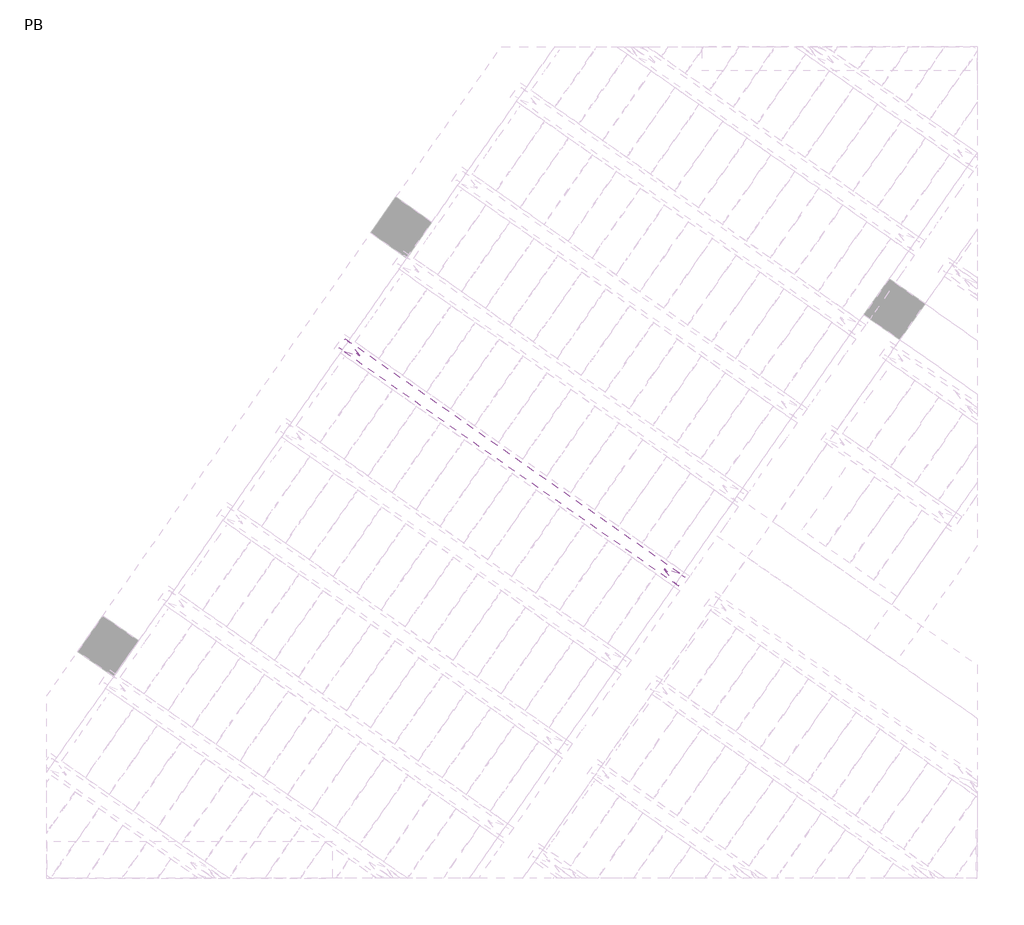
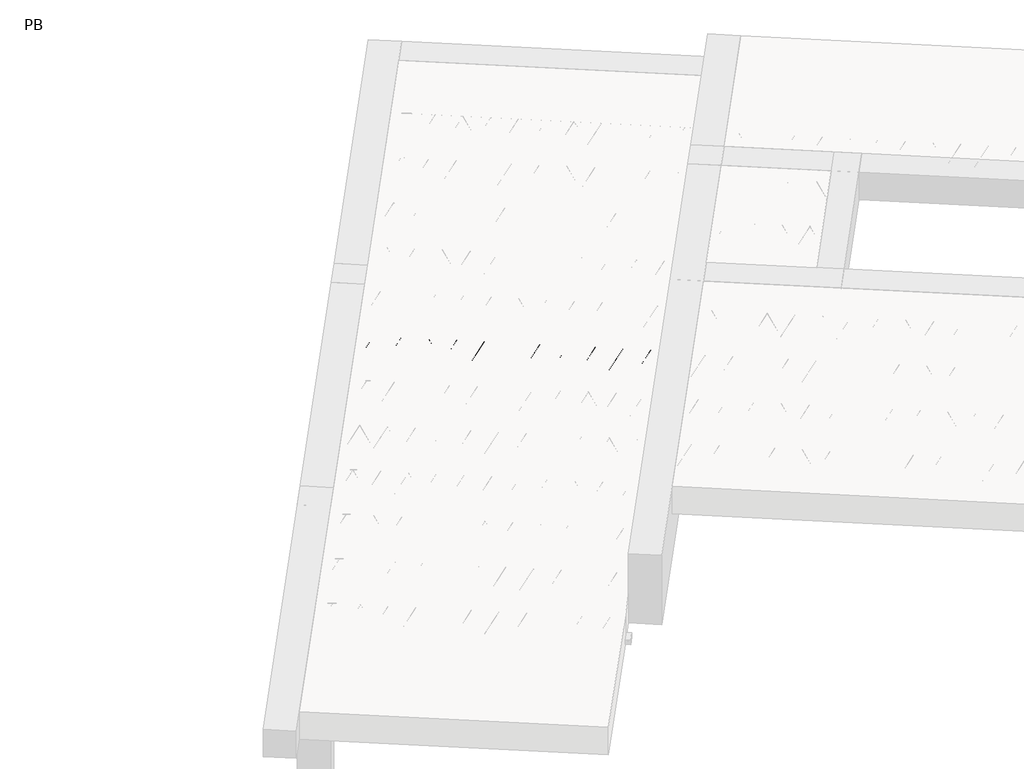
# One storey, part 33 of 56: 1 beam.
"""IFC4 building model written with IfcOpenShell, lengths in millimetres."""

from ifc_helpers import new_model, si_unit, point, frame, origin, origin_2d, place, context, project, spatial, circle_curve, trimmed, segment, composite_curve, outline, extrude, element, save

model = new_model("IFC4")

# Units and contexts
model_context = context("Model", 3, world=origin())
ifc_project = project(units=[si_unit("LENGTHUNIT", "METRE", prefix="MILLI")], contexts=[model_context])

# Site, building, storey
site = spatial("IfcSite", under=ifc_project)
building = spatial("IfcBuilding", under=site)
storey = spatial("IfcBuildingStorey", under=building, Name="PB", Elevation=95940.0)

# Beam
placement = place(None, origin())
element("IfcBeam", 1, at=placement, inside=storey, context=model_context, shape_type="SweptSolid", body=[
    extrude(outline(composite_curve([segment(trimmed(circle_curve(origin_2d(), 2.5), [point((-2.5, 0.0))], [point((2.5, 0.0))], False, "CARTESIAN"), True, "CONTINUOUS"), segment(trimmed(circle_curve(origin_2d(), 2.5), [point((2.5, 0.0))], [point((-2.5, 0.0))], False, "CARTESIAN"), True, "CONTINUOUS")], self_intersect=False)), frame((4354.5296231, 5635.8604621, 98785.0), z_axis=(-0.8191520442696126, 0.5735764363787226, 0.0), x_axis=(0.5735764363787226, 0.8191520442696126, 0.0)), (0.0, 0.0, 1.0), 2836.497256),
    extrude(outline(composite_curve([segment(trimmed(circle_curve(origin_2d(), 2.5), [point((-2.5, 0.0))], [point((2.5, 0.0))], False, "CARTESIAN"), True, "CONTINUOUS"), segment(trimmed(circle_curve(origin_2d(), 2.5), [point((2.5, 0.0))], [point((-2.5, 0.0))], False, "CARTESIAN"), True, "CONTINUOUS")], self_intersect=False)), frame((4278.3147694, 5733.1745624, 99010.0), z_axis=(-0.8191520442696126, 0.5735764363787226, 0.0), x_axis=(0.5735764363787226, 0.8191520442696126, 0.0)), (0.0, 0.0, 1.0), 2600.0),
    extrude(outline(composite_curve([segment(trimmed(circle_curve(origin_2d(), 2.5), [point((-2.5, 0.0))], [point((2.5000001, -1e-07))], False, "CARTESIAN"), True, "CONTINUOUS"), segment(trimmed(circle_curve(origin_2d(), 2.5), [point((2.5000001, -1e-07))], [point((-2.5, 0.0))], False, "CARTESIAN"), True, "CONTINUOUS")], self_intersect=False)), frame((4319.102421, 5660.6668561, 98785.0), z_axis=(-0.3145304735701046, 0.38933448886848654, 0.8657304643902053), x_axis=(0.7778747638402499, 0.6284193279813057, 0.0)), (0.0, 0.0, 1.0), 259.8961331),
    extrude(outline(composite_curve([segment(trimmed(circle_curve(origin_2d(), 2.5), [point((2.5, 0.0))], [point((-2.5, 1e-07))], False, "CARTESIAN"), True, "CONTINUOUS"), segment(trimmed(circle_curve(origin_2d(), 2.5), [point((-2.5, 1e-07))], [point((2.5, 0.0))], False, "CARTESIAN"), True, "CONTINUOUS")], self_intersect=False)), frame((4114.3144099, 5804.0609652, 98785.0), z_axis=(0.47343050384693375, -0.16240172737369005, 0.8657304643902051), x_axis=(-0.3244721671091268, -0.9458952440791246, 0.0)), (0.0, 0.0, 1.0), 259.8961331),
    extrude(outline(composite_curve([segment(trimmed(circle_curve(origin_2d(), 2.5), [point((-2.5, 0.0))], [point((2.5000001, -1e-07))], False, "CARTESIAN"), True, "CONTINUOUS"), segment(trimmed(circle_curve(origin_2d(), 2.5), [point((2.5000001, -1e-07))], [point((-2.5, 0.0))], False, "CARTESIAN"), True, "CONTINUOUS")], self_intersect=False)), frame((4114.3144099, 5804.0609652, 98785.0), z_axis=(-0.3145304735701046, 0.38933448886848654, 0.8657304643902053), x_axis=(0.7778747638402499, 0.6284193279813057, 0.0)), (0.0, 0.0, 1.0), 259.8961331),
    extrude(outline(composite_curve([segment(trimmed(circle_curve(origin_2d(), 2.5), [point((2.5, 0.0))], [point((-2.5, 0.0))], False, "CARTESIAN"), True, "CONTINUOUS"), segment(trimmed(circle_curve(origin_2d(), 2.5), [point((-2.5, 0.0))], [point((2.5, 0.0))], False, "CARTESIAN"), True, "CONTINUOUS")], self_intersect=False)), frame((3909.5263989, 5947.4550743, 98785.0), z_axis=(0.47343050384693375, -0.16240172737369005, 0.8657304643902051), x_axis=(-0.3244721671091268, -0.9458952440791246, 0.0)), (0.0, 0.0, 1.0), 259.8961331),
    extrude(outline(composite_curve([segment(trimmed(circle_curve(origin_2d(), 2.5), [point((-2.5, 0.0))], [point((2.5, 0.0))], False, "CARTESIAN"), True, "CONTINUOUS"), segment(trimmed(circle_curve(origin_2d(), 2.5), [point((2.5, 0.0))], [point((-2.5, 0.0))], False, "CARTESIAN"), True, "CONTINUOUS")], self_intersect=False)), frame((3909.5263989, 5947.4550743, 98785.0), z_axis=(-0.3145304735701046, 0.38933448886848654, 0.8657304643902053), x_axis=(0.7778747638402499, 0.6284193279813057, 0.0)), (0.0, 0.0, 1.0), 259.8961331),
    extrude(outline(composite_curve([segment(trimmed(circle_curve(origin_2d(), 2.5), [point((2.5, 0.0))], [point((-2.5, 0.0))], False, "CARTESIAN"), True, "CONTINUOUS"), segment(trimmed(circle_curve(origin_2d(), 2.5), [point((-2.5, 0.0))], [point((2.5, 0.0))], False, "CARTESIAN"), True, "CONTINUOUS")], self_intersect=False)), frame((3704.7383878, 6090.8491834, 98785.0), z_axis=(0.47343050384693375, -0.16240172737369005, 0.8657304643902051), x_axis=(-0.3244721671091268, -0.9458952440791246, 0.0)), (0.0, 0.0, 1.0), 259.8961331),
    extrude(outline(composite_curve([segment(trimmed(circle_curve(origin_2d(), 2.5), [point((-2.5, 0.0))], [point((2.5, 0.0))], False, "CARTESIAN"), True, "CONTINUOUS"), segment(trimmed(circle_curve(origin_2d(), 2.5), [point((2.5, 0.0))], [point((-2.5, 0.0))], False, "CARTESIAN"), True, "CONTINUOUS")], self_intersect=False)), frame((3704.7383878, 6090.8491834, 98785.0), z_axis=(-0.3145304735701046, 0.38933448886848654, 0.8657304643902053), x_axis=(0.7778747638402499, 0.6284193279813057, 0.0)), (0.0, 0.0, 1.0), 259.8961331),
    extrude(outline(composite_curve([segment(trimmed(circle_curve(origin_2d(), 2.5), [point((2.5, 0.0))], [point((-2.5, 1e-07))], False, "CARTESIAN"), True, "CONTINUOUS"), segment(trimmed(circle_curve(origin_2d(), 2.5), [point((-2.5, 1e-07))], [point((2.5, 0.0))], False, "CARTESIAN"), True, "CONTINUOUS")], self_intersect=False)), frame((3499.9503767, 6234.2432925, 98785.0), z_axis=(0.47343050384693375, -0.16240172737369005, 0.8657304643902051), x_axis=(-0.3244721671091268, -0.9458952440791246, 0.0)), (0.0, 0.0, 1.0), 259.8961331),
    extrude(outline(composite_curve([segment(trimmed(circle_curve(origin_2d(), 2.5), [point((-2.5, 0.0))], [point((2.5, 0.0))], False, "CARTESIAN"), True, "CONTINUOUS"), segment(trimmed(circle_curve(origin_2d(), 2.5), [point((2.5, 0.0))], [point((-2.5, 0.0))], False, "CARTESIAN"), True, "CONTINUOUS")], self_intersect=False)), frame((3499.9503768, 6234.2432924, 98785.0), z_axis=(-0.3145304735701046, 0.38933448886848654, 0.8657304643902053), x_axis=(0.7778747638402499, 0.6284193279813057, 0.0)), (0.0, 0.0, 1.0), 259.8961331),
    extrude(outline(composite_curve([segment(trimmed(circle_curve(origin_2d(), 2.5), [point((2.5, -1e-07))], [point((-2.5, 0.0))], False, "CARTESIAN"), True, "CONTINUOUS"), segment(trimmed(circle_curve(origin_2d(), 2.5), [point((-2.5, 0.0))], [point((2.5, -1e-07))], False, "CARTESIAN"), True, "CONTINUOUS")], self_intersect=False)), frame((3295.1623658, 6377.6374015, 98785.0), z_axis=(0.47343050384693375, -0.16240172737369005, 0.8657304643902051), x_axis=(-0.3244721671091268, -0.9458952440791246, 0.0)), (0.0, 0.0, 1.0), 259.8961331),
    extrude(outline(composite_curve([segment(trimmed(circle_curve(origin_2d(), 2.5), [point((-2.5, 0.0))], [point((2.5, 0.0))], False, "CARTESIAN"), True, "CONTINUOUS"), segment(trimmed(circle_curve(origin_2d(), 2.5), [point((2.5, 0.0))], [point((-2.5, 0.0))], False, "CARTESIAN"), True, "CONTINUOUS")], self_intersect=False)), frame((3295.1623658, 6377.6374015, 98785.0), z_axis=(-0.3145304735701046, 0.38933448886848654, 0.8657304643902053), x_axis=(0.7778747638402499, 0.6284193279813057, 0.0)), (0.0, 0.0, 1.0), 259.8961331),
    extrude(outline(composite_curve([segment(trimmed(circle_curve(origin_2d(), 2.5), [point((2.5, 0.0))], [point((-2.5, 0.0))], False, "CARTESIAN"), True, "CONTINUOUS"), segment(trimmed(circle_curve(origin_2d(), 2.5), [point((-2.5, 0.0))], [point((2.5, 0.0))], False, "CARTESIAN"), True, "CONTINUOUS")], self_intersect=False)), frame((3090.3743547, 6521.0315106, 98785.0), z_axis=(0.47343050384693375, -0.16240172737369005, 0.8657304643902051), x_axis=(-0.3244721671091268, -0.9458952440791246, 0.0)), (0.0, 0.0, 1.0), 259.8961331),
    extrude(outline(composite_curve([segment(trimmed(circle_curve(origin_2d(), 2.5), [point((-2.5, 0.0))], [point((2.5, 0.0))], False, "CARTESIAN"), True, "CONTINUOUS"), segment(trimmed(circle_curve(origin_2d(), 2.5), [point((2.5, 0.0))], [point((-2.5, 0.0))], False, "CARTESIAN"), True, "CONTINUOUS")], self_intersect=False)), frame((3090.3743547, 6521.0315106, 98785.0), z_axis=(-0.3145304735701046, 0.38933448886848654, 0.8657304643902053), x_axis=(0.7778747638402499, 0.6284193279813057, 0.0)), (0.0, 0.0, 1.0), 259.8961331),
    extrude(outline(composite_curve([segment(trimmed(circle_curve(origin_2d(), 2.5), [point((2.5, 0.0))], [point((-2.5, 0.0))], False, "CARTESIAN"), True, "CONTINUOUS"), segment(trimmed(circle_curve(origin_2d(), 2.5), [point((-2.5, 0.0))], [point((2.5, 0.0))], False, "CARTESIAN"), True, "CONTINUOUS")], self_intersect=False)), frame((2885.5863436, 6664.4256197, 98785.0), z_axis=(0.47343050384693375, -0.16240172737369005, 0.8657304643902051), x_axis=(-0.3244721671091268, -0.9458952440791246, 0.0)), (0.0, 0.0, 1.0), 259.8961331),
    extrude(outline(composite_curve([segment(trimmed(circle_curve(origin_2d(), 2.5), [point((-2.5, 0.0))], [point((2.5, 0.0))], False, "CARTESIAN"), True, "CONTINUOUS"), segment(trimmed(circle_curve(origin_2d(), 2.5), [point((2.5, 0.0))], [point((-2.5, 0.0))], False, "CARTESIAN"), True, "CONTINUOUS")], self_intersect=False)), frame((2885.5863436, 6664.4256197, 98785.0), z_axis=(-0.3145304735701046, 0.38933448886848654, 0.8657304643902053), x_axis=(0.7778747638402499, 0.6284193279813057, 0.0)), (0.0, 0.0, 1.0), 259.8961331),
    extrude(outline(composite_curve([segment(trimmed(circle_curve(origin_2d(), 2.5), [point((2.5, -1e-07))], [point((-2.5, 0.0))], False, "CARTESIAN"), True, "CONTINUOUS"), segment(trimmed(circle_curve(origin_2d(), 2.5), [point((-2.5, 0.0))], [point((2.5, -1e-07))], False, "CARTESIAN"), True, "CONTINUOUS")], self_intersect=False)), frame((2680.7983326, 6807.8197288, 98785.0), z_axis=(0.47343050384693375, -0.16240172737369005, 0.8657304643902051), x_axis=(-0.3244721671091268, -0.9458952440791246, 0.0)), (0.0, 0.0, 1.0), 259.8961331),
    extrude(outline(composite_curve([segment(trimmed(circle_curve(origin_2d(), 2.5), [point((-2.5000001, 1e-07))], [point((2.5, 0.0))], False, "CARTESIAN"), True, "CONTINUOUS"), segment(trimmed(circle_curve(origin_2d(), 2.5), [point((2.5, 0.0))], [point((-2.5000001, 1e-07))], False, "CARTESIAN"), True, "CONTINUOUS")], self_intersect=False)), frame((2680.7983326, 6807.8197288, 98785.0), z_axis=(-0.3145304735701046, 0.38933448886848654, 0.8657304643902053), x_axis=(0.7778747638402499, 0.6284193279813057, 0.0)), (0.0, 0.0, 1.0), 259.8961331),
    extrude(outline(composite_curve([segment(trimmed(circle_curve(origin_2d(), 2.5), [point((2.5, 0.0))], [point((-2.5, 0.0))], False, "CARTESIAN"), True, "CONTINUOUS"), segment(trimmed(circle_curve(origin_2d(), 2.5), [point((-2.5, 0.0))], [point((2.5, 0.0))], False, "CARTESIAN"), True, "CONTINUOUS")], self_intersect=False)), frame((2476.0103215, 6951.2138379, 98785.0), z_axis=(0.47343050384693375, -0.16240172737369005, 0.8657304643902051), x_axis=(-0.3244721671091268, -0.9458952440791246, 0.0)), (0.0, 0.0, 1.0), 259.8961331),
    extrude(outline(composite_curve([segment(trimmed(circle_curve(origin_2d(), 2.5), [point((-2.5, 0.0))], [point((2.5, 0.0))], False, "CARTESIAN"), True, "CONTINUOUS"), segment(trimmed(circle_curve(origin_2d(), 2.5), [point((2.5, 0.0))], [point((-2.5, 0.0))], False, "CARTESIAN"), True, "CONTINUOUS")], self_intersect=False)), frame((2476.0103215, 6951.2138379, 98785.0), z_axis=(-0.3145304735701046, 0.38933448886848654, 0.8657304643902053), x_axis=(0.7778747638402499, 0.6284193279813057, 0.0)), (0.0, 0.0, 1.0), 259.8961331),
    extrude(outline(composite_curve([segment(trimmed(circle_curve(origin_2d(), 2.5), [point((2.5, 0.0))], [point((-2.5, 0.0))], False, "CARTESIAN"), True, "CONTINUOUS"), segment(trimmed(circle_curve(origin_2d(), 2.5), [point((-2.5, 0.0))], [point((2.5, 0.0))], False, "CARTESIAN"), True, "CONTINUOUS")], self_intersect=False)), frame((2271.2223104, 7094.607947, 98785.0), z_axis=(0.47343050384693375, -0.16240172737369005, 0.8657304643902051), x_axis=(-0.3244721671091268, -0.9458952440791246, 0.0)), (0.0, 0.0, 1.0), 259.8961331),
    extrude(outline(composite_curve([segment(trimmed(circle_curve(origin_2d(), 2.5), [point((-2.5, 0.0))], [point((2.5, 0.0))], False, "CARTESIAN"), True, "CONTINUOUS"), segment(trimmed(circle_curve(origin_2d(), 2.5), [point((2.5, 0.0))], [point((-2.5, 0.0))], False, "CARTESIAN"), True, "CONTINUOUS")], self_intersect=False)), frame((2271.2223104, 7094.607947, 98785.0), z_axis=(-0.3145304735701046, 0.38933448886848654, 0.8657304643902053), x_axis=(0.7778747638402499, 0.6284193279813057, 0.0)), (0.0, 0.0, 1.0), 259.8961331),
    extrude(outline(composite_curve([segment(trimmed(circle_curve(origin_2d(), 2.5), [point((2.5, -1e-07))], [point((-2.5, 0.0))], False, "CARTESIAN"), True, "CONTINUOUS"), segment(trimmed(circle_curve(origin_2d(), 2.5), [point((-2.5, 0.0))], [point((2.5, -1e-07))], False, "CARTESIAN"), True, "CONTINUOUS")], self_intersect=False)), frame((2066.4342994, 7238.0020561, 98785.0), z_axis=(0.47343050384693375, -0.16240172737369005, 0.8657304643902051), x_axis=(-0.3244721671091268, -0.9458952440791246, 0.0)), (0.0, 0.0, 1.0), 259.8961331),
    extrude(outline(composite_curve([segment(trimmed(circle_curve(origin_2d(), 2.5), [point((-2.5, 0.0))], [point((2.4999999, 0.0))], False, "CARTESIAN"), True, "CONTINUOUS"), segment(trimmed(circle_curve(origin_2d(), 2.5), [point((2.4999999, 0.0))], [point((-2.5, 0.0))], False, "CARTESIAN"), True, "CONTINUOUS")], self_intersect=False)), frame((4395.8271266, 5694.8394093, 98785.0), z_axis=(-0.8191520442696126, 0.5735764363787226, 0.0), x_axis=(0.5735764363787226, 0.8191520442696126, 0.0)), (0.0, 0.0, 1.0), 2836.497256),
    extrude(outline(composite_curve([segment(trimmed(circle_curve(origin_2d(), 2.5), [point((-2.5, 1e-07))], [point((2.5, 0.0))], False, "CARTESIAN"), True, "CONTINUOUS"), segment(trimmed(circle_curve(origin_2d(), 2.5), [point((2.5, 0.0))], [point((-2.5, 1e-07))], False, "CARTESIAN"), True, "CONTINUOUS")], self_intersect=False)), frame((4360.3999245, 5719.6458033, 98785.0), z_axis=(-0.47343050384693375, 0.16240172737369005, 0.8657304643902051), x_axis=(0.3244721671091268, 0.9458952440791246, 0.0)), (0.0, 0.0, 1.0), 259.8961331),
    extrude(outline(composite_curve([segment(trimmed(circle_curve(origin_2d(), 2.5), [point((2.5, 0.0))], [point((-2.5, 0.0))], False, "CARTESIAN"), True, "CONTINUOUS"), segment(trimmed(circle_curve(origin_2d(), 2.5), [point((-2.5, 0.0))], [point((2.5, 0.0))], False, "CARTESIAN"), True, "CONTINUOUS")], self_intersect=False)), frame((4155.6119134, 5863.0399124, 98785.0), z_axis=(0.3145304735701046, -0.38933448886848654, 0.8657304643902053), x_axis=(-0.7778747638402499, -0.6284193279813057, 0.0)), (0.0, 0.0, 1.0), 259.8961331),
    extrude(outline(composite_curve([segment(trimmed(circle_curve(origin_2d(), 2.5), [point((-2.5, 1e-07))], [point((2.5, 0.0))], False, "CARTESIAN"), True, "CONTINUOUS"), segment(trimmed(circle_curve(origin_2d(), 2.5), [point((2.5, 0.0))], [point((-2.5, 1e-07))], False, "CARTESIAN"), True, "CONTINUOUS")], self_intersect=False)), frame((4155.6119134, 5863.0399124, 98785.0), z_axis=(-0.47343050384693375, 0.16240172737369005, 0.8657304643902051), x_axis=(0.3244721671091268, 0.9458952440791246, 0.0)), (0.0, 0.0, 1.0), 259.8961331),
    extrude(outline(composite_curve([segment(trimmed(circle_curve(origin_2d(), 2.5), [point((2.5, 0.0))], [point((-2.5, 0.0))], False, "CARTESIAN"), True, "CONTINUOUS"), segment(trimmed(circle_curve(origin_2d(), 2.5), [point((-2.5, 0.0))], [point((2.5, 0.0))], False, "CARTESIAN"), True, "CONTINUOUS")], self_intersect=False)), frame((3950.8239023, 6006.4340215, 98785.0), z_axis=(0.3145304735701046, -0.38933448886848654, 0.8657304643902053), x_axis=(-0.7778747638402499, -0.6284193279813057, 0.0)), (0.0, 0.0, 1.0), 259.8961331),
    extrude(outline(composite_curve([segment(trimmed(circle_curve(origin_2d(), 2.5), [point((-2.5, 0.0))], [point((2.5, 0.0))], False, "CARTESIAN"), True, "CONTINUOUS"), segment(trimmed(circle_curve(origin_2d(), 2.5), [point((2.5, 0.0))], [point((-2.5, 0.0))], False, "CARTESIAN"), True, "CONTINUOUS")], self_intersect=False)), frame((3950.8239023, 6006.4340215, 98785.0), z_axis=(-0.47343050384693375, 0.16240172737369005, 0.8657304643902051), x_axis=(0.3244721671091268, 0.9458952440791246, 0.0)), (0.0, 0.0, 1.0), 259.8961331),
    extrude(outline(composite_curve([segment(trimmed(circle_curve(origin_2d(), 2.5), [point((2.5, 1e-07))], [point((-2.5, 0.0))], False, "CARTESIAN"), True, "CONTINUOUS"), segment(trimmed(circle_curve(origin_2d(), 2.5), [point((-2.5, 0.0))], [point((2.5, 1e-07))], False, "CARTESIAN"), True, "CONTINUOUS")], self_intersect=False)), frame((3746.0358912, 6149.8281306, 98785.0), z_axis=(0.3145304735701046, -0.38933448886848654, 0.8657304643902053), x_axis=(-0.7778747638402499, -0.6284193279813057, 0.0)), (0.0, 0.0, 1.0), 259.8961331),
    extrude(outline(composite_curve([segment(trimmed(circle_curve(origin_2d(), 2.5), [point((-2.5, 0.0))], [point((2.5, 0.0))], False, "CARTESIAN"), True, "CONTINUOUS"), segment(trimmed(circle_curve(origin_2d(), 2.5), [point((2.5, 0.0))], [point((-2.5, 0.0))], False, "CARTESIAN"), True, "CONTINUOUS")], self_intersect=False)), frame((3746.0358912, 6149.8281306, 98785.0), z_axis=(-0.47343050384693375, 0.16240172737369005, 0.8657304643902051), x_axis=(0.3244721671091268, 0.9458952440791246, 0.0)), (0.0, 0.0, 1.0), 259.8961331),
    extrude(outline(composite_curve([segment(trimmed(circle_curve(origin_2d(), 2.5), [point((2.5, 1e-07))], [point((-2.5, 0.0))], False, "CARTESIAN"), True, "CONTINUOUS"), segment(trimmed(circle_curve(origin_2d(), 2.5), [point((-2.5, 0.0))], [point((2.5, 1e-07))], False, "CARTESIAN"), True, "CONTINUOUS")], self_intersect=False)), frame((3541.2478802, 6293.2222397, 98785.0), z_axis=(0.3145304735701046, -0.38933448886848654, 0.8657304643902053), x_axis=(-0.7778747638402499, -0.6284193279813057, 0.0)), (0.0, 0.0, 1.0), 259.8961331),
    extrude(outline(composite_curve([segment(trimmed(circle_curve(origin_2d(), 2.5), [point((-2.5, 0.0))], [point((2.5, -1e-07))], False, "CARTESIAN"), True, "CONTINUOUS"), segment(trimmed(circle_curve(origin_2d(), 2.5), [point((2.5, -1e-07))], [point((-2.5, 0.0))], False, "CARTESIAN"), True, "CONTINUOUS")], self_intersect=False)), frame((3541.2478802, 6293.2222396, 98785.0), z_axis=(-0.47343050384693375, 0.16240172737369005, 0.8657304643902051), x_axis=(0.3244721671091268, 0.9458952440791246, 0.0)), (0.0, 0.0, 1.0), 259.8961331),
    extrude(outline(composite_curve([segment(trimmed(circle_curve(origin_2d(), 2.5), [point((2.5, 0.0))], [point((-2.5, 0.0))], False, "CARTESIAN"), True, "CONTINUOUS"), segment(trimmed(circle_curve(origin_2d(), 2.5), [point((-2.5, 0.0))], [point((2.5, 0.0))], False, "CARTESIAN"), True, "CONTINUOUS")], self_intersect=False)), frame((3336.4598692, 6436.6163487, 98785.0), z_axis=(0.3145304735701046, -0.38933448886848654, 0.8657304643902053), x_axis=(-0.7778747638402499, -0.6284193279813057, 0.0)), (0.0, 0.0, 1.0), 259.8961331),
    extrude(outline(composite_curve([segment(trimmed(circle_curve(origin_2d(), 2.5), [point((-2.5, 0.0))], [point((2.5, 0.0))], False, "CARTESIAN"), True, "CONTINUOUS"), segment(trimmed(circle_curve(origin_2d(), 2.5), [point((2.5, 0.0))], [point((-2.5, 0.0))], False, "CARTESIAN"), True, "CONTINUOUS")], self_intersect=False)), frame((3336.4598692, 6436.6163487, 98785.0), z_axis=(-0.47343050384693375, 0.16240172737369005, 0.8657304643902051), x_axis=(0.3244721671091268, 0.9458952440791246, 0.0)), (0.0, 0.0, 1.0), 259.8961331),
    extrude(outline(composite_curve([segment(trimmed(circle_curve(origin_2d(), 2.5), [point((2.5, 0.0))], [point((-2.5, 0.0))], False, "CARTESIAN"), True, "CONTINUOUS"), segment(trimmed(circle_curve(origin_2d(), 2.5), [point((-2.5, 0.0))], [point((2.5, 0.0))], False, "CARTESIAN"), True, "CONTINUOUS")], self_intersect=False)), frame((3131.6718581, 6580.0104578, 98785.0), z_axis=(0.3145304735701046, -0.38933448886848654, 0.8657304643902053), x_axis=(-0.7778747638402499, -0.6284193279813057, 0.0)), (0.0, 0.0, 1.0), 259.8961331),
    extrude(outline(composite_curve([segment(trimmed(circle_curve(origin_2d(), 2.5), [point((-2.5, 0.0))], [point((2.5, 0.0))], False, "CARTESIAN"), True, "CONTINUOUS"), segment(trimmed(circle_curve(origin_2d(), 2.5), [point((2.5, 0.0))], [point((-2.5, 0.0))], False, "CARTESIAN"), True, "CONTINUOUS")], self_intersect=False)), frame((3131.6718581, 6580.0104578, 98785.0), z_axis=(-0.47343050384693375, 0.16240172737369005, 0.8657304643902051), x_axis=(0.3244721671091268, 0.9458952440791246, 0.0)), (0.0, 0.0, 1.0), 259.8961331),
    extrude(outline(composite_curve([segment(trimmed(circle_curve(origin_2d(), 2.5), [point((2.5, 0.0))], [point((-2.5000001, 1e-07))], False, "CARTESIAN"), True, "CONTINUOUS"), segment(trimmed(circle_curve(origin_2d(), 2.5), [point((-2.5000001, 1e-07))], [point((2.5, 0.0))], False, "CARTESIAN"), True, "CONTINUOUS")], self_intersect=False)), frame((2926.883847, 6723.4045669, 98785.0), z_axis=(0.3145304735701046, -0.38933448886848654, 0.8657304643902053), x_axis=(-0.7778747638402499, -0.6284193279813057, 0.0)), (0.0, 0.0, 1.0), 259.8961331),
    extrude(outline(composite_curve([segment(trimmed(circle_curve(origin_2d(), 2.5), [point((-2.5, 0.0))], [point((2.5, -1e-07))], False, "CARTESIAN"), True, "CONTINUOUS"), segment(trimmed(circle_curve(origin_2d(), 2.5), [point((2.5, -1e-07))], [point((-2.5, 0.0))], False, "CARTESIAN"), True, "CONTINUOUS")], self_intersect=False)), frame((2926.883847, 6723.4045669, 98785.0), z_axis=(-0.47343050384693375, 0.16240172737369005, 0.8657304643902051), x_axis=(0.3244721671091268, 0.9458952440791246, 0.0)), (0.0, 0.0, 1.0), 259.8961331),
    extrude(outline(composite_curve([segment(trimmed(circle_curve(origin_2d(), 2.5), [point((2.5, 0.0))], [point((-2.5, 0.0))], False, "CARTESIAN"), True, "CONTINUOUS"), segment(trimmed(circle_curve(origin_2d(), 2.5), [point((-2.5, 0.0))], [point((2.5, 0.0))], False, "CARTESIAN"), True, "CONTINUOUS")], self_intersect=False)), frame((2722.095836, 6866.798676, 98785.0), z_axis=(0.3145304735701046, -0.38933448886848654, 0.8657304643902053), x_axis=(-0.7778747638402499, -0.6284193279813057, 0.0)), (0.0, 0.0, 1.0), 259.8961331),
    extrude(outline(composite_curve([segment(trimmed(circle_curve(origin_2d(), 2.5), [point((-2.5, 0.0))], [point((2.5, 0.0))], False, "CARTESIAN"), True, "CONTINUOUS"), segment(trimmed(circle_curve(origin_2d(), 2.5), [point((2.5, 0.0))], [point((-2.5, 0.0))], False, "CARTESIAN"), True, "CONTINUOUS")], self_intersect=False)), frame((2722.095836, 6866.798676, 98785.0), z_axis=(-0.47343050384693375, 0.16240172737369005, 0.8657304643902051), x_axis=(0.3244721671091268, 0.9458952440791246, 0.0)), (0.0, 0.0, 1.0), 259.8961331),
    extrude(outline(composite_curve([segment(trimmed(circle_curve(origin_2d(), 2.5), [point((2.5, 0.0))], [point((-2.5, 0.0))], False, "CARTESIAN"), True, "CONTINUOUS"), segment(trimmed(circle_curve(origin_2d(), 2.5), [point((-2.5, 0.0))], [point((2.5, 0.0))], False, "CARTESIAN"), True, "CONTINUOUS")], self_intersect=False)), frame((2517.3078249, 7010.1927851, 98785.0), z_axis=(0.3145304735701046, -0.38933448886848654, 0.8657304643902053), x_axis=(-0.7778747638402499, -0.6284193279813057, 0.0)), (0.0, 0.0, 1.0), 259.8961331),
    extrude(outline(composite_curve([segment(trimmed(circle_curve(origin_2d(), 2.5), [point((-2.5, 0.0))], [point((2.5, 0.0))], False, "CARTESIAN"), True, "CONTINUOUS"), segment(trimmed(circle_curve(origin_2d(), 2.5), [point((2.5, 0.0))], [point((-2.5, 0.0))], False, "CARTESIAN"), True, "CONTINUOUS")], self_intersect=False)), frame((2517.3078249, 7010.1927851, 98785.0), z_axis=(-0.47343050384693375, 0.16240172737369005, 0.8657304643902051), x_axis=(0.3244721671091268, 0.9458952440791246, 0.0)), (0.0, 0.0, 1.0), 259.8961331),
    extrude(outline(composite_curve([segment(trimmed(circle_curve(origin_2d(), 2.5), [point((2.5, 0.0))], [point((-2.5000001, 1e-07))], False, "CARTESIAN"), True, "CONTINUOUS"), segment(trimmed(circle_curve(origin_2d(), 2.5), [point((-2.5000001, 1e-07))], [point((2.5, 0.0))], False, "CARTESIAN"), True, "CONTINUOUS")], self_intersect=False)), frame((2312.5198138, 7153.5868942, 98785.0), z_axis=(0.3145304735701046, -0.38933448886848654, 0.8657304643902053), x_axis=(-0.7778747638402499, -0.6284193279813057, 0.0)), (0.0, 0.0, 1.0), 259.8961331),
    extrude(outline(composite_curve([segment(trimmed(circle_curve(origin_2d(), 2.5), [point((-2.5, 0.0))], [point((2.5, -1e-07))], False, "CARTESIAN"), True, "CONTINUOUS"), segment(trimmed(circle_curve(origin_2d(), 2.5), [point((2.5, -1e-07))], [point((-2.5, 0.0))], False, "CARTESIAN"), True, "CONTINUOUS")], self_intersect=False)), frame((2312.5198138, 7153.5868942, 98785.0), z_axis=(-0.47343050384693375, 0.16240172737369005, 0.8657304643902051), x_axis=(0.3244721671091268, 0.9458952440791246, 0.0)), (0.0, 0.0, 1.0), 259.8961331),
    extrude(outline(composite_curve([segment(trimmed(circle_curve(origin_2d(), 2.5), [point((2.5, 1e-07))], [point((-2.5, 0.0))], False, "CARTESIAN"), True, "CONTINUOUS"), segment(trimmed(circle_curve(origin_2d(), 2.5), [point((-2.5, 0.0))], [point((2.5, 1e-07))], False, "CARTESIAN"), True, "CONTINUOUS")], self_intersect=False)), frame((2107.7318028, 7296.9810033, 98785.0), z_axis=(0.3145304735701046, -0.38933448886848654, 0.8657304643902053), x_axis=(-0.7778747638402499, -0.6284193279813057, 0.0)), (0.0, 0.0, 1.0), 259.8961331),
])

save(model, "model.ifc")
